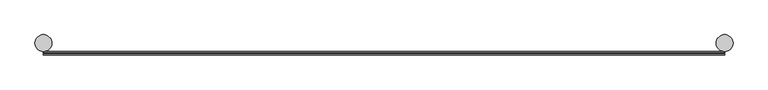
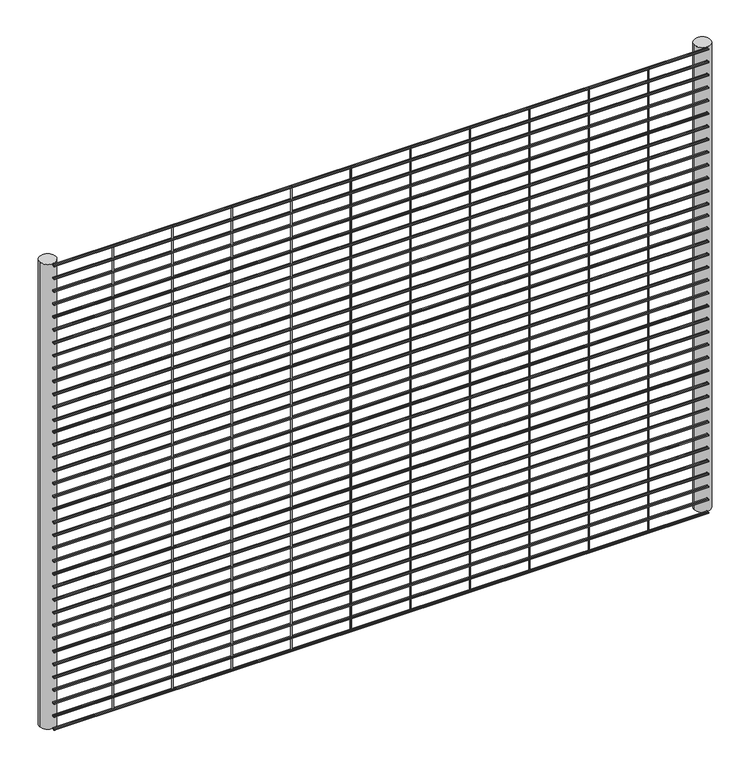
"""IFC4 building model written with IfcOpenShell, lengths in millimetres: railing geometry."""

import ifcopenshell
import ifcopenshell.guid

model = None  # the IFC model being written
_history = None  # IfcOwnerHistory: only IFC2X3 demands one
_inside = {}  # id of a spatial element -> (the spatial element, [elements in it])
_under = {}  # id of a project, library or spatial element -> (it, [spatial elements below it])
_declared = {}  # id of a project -> (the project, [libraries it declares])
_typed = {}  # id of a type object -> (the type object, [elements of that type])
_made_of = {}  # id of a material, layer set ... -> (it, [elements and type objects made of it])


def new_model(schema):
    """Start an empty IFC model of exactly this schema.

    Asked for "IFC4X3", IfcOpenShell would pick the latest addendum, in which some entities
    have other attributes; the version numbers below select the first issue.
    IFC2X3 requires an IfcOwnerHistory on every rooted entity: one is made here for all.
    """
    global model, _history
    if schema == "IFC4X3":
        model = ifcopenshell.file(schema_version=(4, 3, 0, 0))
    else:
        model = ifcopenshell.file(schema=schema)
    _inside.clear()
    _under.clear()
    _declared.clear()
    _typed.clear()
    _made_of.clear()
    _history = None
    if model.schema == "IFC2X3":
        org = make("IfcOrganization", Name="unknown")
        user = make(
            "IfcPersonAndOrganization",
            ThePerson=make("IfcPerson", FamilyName="unknown"),
            TheOrganization=org,
        )
        app = make(
            "IfcApplication",
            ApplicationDeveloper=org,
            Version="unknown",
            ApplicationFullName="unknown",
            ApplicationIdentifier="unknown",
        )
        _history = make(
            "IfcOwnerHistory",
            OwningUser=user,
            OwningApplication=app,
            ChangeAction="ADDED",
            CreationDate=0,
        )
    return model


def make(cls, **values):
    """One entity of the class cls with the attributes given. An attribute that is None is left unset."""
    return model.create_entity(
        cls, **{name: value for name, value in values.items() if value is not None}
    )


def rooted(cls, **values):
    """An entity with a GlobalId (a new one), such as an element, a storey or a relation."""
    return make(cls, GlobalId=ifcopenshell.guid.new(), OwnerHistory=_history, **values)


def si_unit(unit_type, name, prefix=None):
    """IfcSIUnit, for example si_unit("LENGTHUNIT", "METRE", prefix="MILLI")."""
    return make("IfcSIUnit", UnitType=unit_type, Prefix=prefix, Name=name)


def assignment(units):
    """IfcUnitAssignment: the units of a project."""
    return None if units is None else make("IfcUnitAssignment", Units=units)


def point(xyz):
    """IfcCartesianPoint."""
    return None if xyz is None else make("IfcCartesianPoint", Coordinates=xyz)


def direction(xyz):
    """IfcDirection."""
    return None if xyz is None else make("IfcDirection", DirectionRatios=xyz)


def frame(location, z_axis=None, x_axis=None):
    """IfcAxis2Placement3D, a coordinate frame: its origin and axes. An axis left out is left unset."""
    return make(
        "IfcAxis2Placement3D",
        Location=point(location),
        Axis=direction(z_axis),
        RefDirection=direction(x_axis),
    )


def frame_2d(location, x_axis=None):
    """IfcAxis2Placement2D, a coordinate frame in the plane: its origin and x axis."""
    return make(
        "IfcAxis2Placement2D", Location=point(location), RefDirection=direction(x_axis)
    )


def origin():
    """The frame at (0, 0, 0) with its axes left unset."""
    return frame((0.0, 0.0, 0.0))


def place(relative_to, where):
    """IfcLocalPlacement: puts the frame where relative to a parent placement (None: the world)."""
    return make(
        "IfcLocalPlacement", PlacementRelTo=relative_to, RelativePlacement=where
    )


def context(
    kind, dimensions, precision=None, world=None, true_north=None, identifier=None
):
    """IfcGeometricRepresentationContext, for example the 3D "Model" context."""
    return make(
        "IfcGeometricRepresentationContext",
        ContextIdentifier=identifier,
        ContextType=kind,
        CoordinateSpaceDimension=dimensions,
        Precision=precision,
        WorldCoordinateSystem=world,
        TrueNorth=true_north,
    )


def project(units=None, contexts=None):
    """IfcProject with its units and contexts."""
    return rooted(
        "IfcProject",
        Name="project",
        RepresentationContexts=contexts,
        UnitsInContext=assignment(units),
    )


def spatial(cls, under=None, at=None, **own):
    """A site, building, storey or space (cls), placed at a placement, below another one or the project."""
    s = rooted(cls, ObjectPlacement=at, **own)
    if under is not None:
        _under.setdefault(under.id(), (under, []))[1].append(s)
    return s


def circle_curve(where, radius):
    """IfcCircle in the frame where."""
    return make("IfcCircle", Position=where, Radius=radius)


def trimmed(basis, trim1, trim2, sense, master):
    """IfcTrimmedCurve: the piece of a basis curve between two trims."""
    return make(
        "IfcTrimmedCurve",
        BasisCurve=basis,
        Trim1=trim1,
        Trim2=trim2,
        SenseAgreement=sense,
        MasterRepresentation=master,
    )


def segment(curve, same_sense, transition):
    """IfcCompositeCurveSegment."""
    return make(
        "IfcCompositeCurveSegment",
        Transition=transition,
        SameSense=same_sense,
        ParentCurve=curve,
    )


def composite_curve(segments, self_intersect=None):
    """IfcCompositeCurve: segments joined end to end."""
    return make("IfcCompositeCurve", Segments=segments, SelfIntersect=self_intersect)


def outline(outer, holes=None, kind="AREA"):
    """IfcArbitraryClosedProfileDef: a profile drawn as a closed curve; with holes, ...WithVoids."""
    if holes is None:
        return make("IfcArbitraryClosedProfileDef", ProfileType=kind, OuterCurve=outer)
    return make(
        "IfcArbitraryProfileDefWithVoids",
        ProfileType=kind,
        OuterCurve=outer,
        InnerCurves=holes,
    )


def extrude(swept, where, along, depth):
    """IfcExtrudedAreaSolid: the profile swept, set in the frame where, extruded along a direction by depth."""
    return make(
        "IfcExtrudedAreaSolid",
        SweptArea=swept,
        Position=where,
        ExtrudedDirection=direction(along),
        Depth=depth,
    )


def shape(context_of_items, identifier, shape_type, items):
    """IfcShapeRepresentation: the items that make up one representation, for example the "Body"."""
    return make(
        "IfcShapeRepresentation",
        ContextOfItems=context_of_items,
        RepresentationIdentifier=identifier,
        RepresentationType=shape_type,
        Items=items,
    )


def source(mapping_origin, context_of_items, identifier, shape_type, items):
    """IfcRepresentationMap: a shape defined once, which mapped items show again and again."""
    return make(
        "IfcRepresentationMap",
        MappingOrigin=mapping_origin,
        MappedRepresentation=shape(context_of_items, identifier, shape_type, items),
    )


def transform(
    local_origin,
    x_axis=None,
    y_axis=None,
    z_axis=None,
    scale=None,
    scale2=None,
    scale3=None,
    uniform=True,
):
    """IfcCartesianTransformationOperator3D, or its non-uniform kind. x_axis, y_axis, z_axis: its Axis1, 2, 3."""
    if uniform:
        return make(
            "IfcCartesianTransformationOperator3D",
            Axis1=direction(x_axis),
            Axis2=direction(y_axis),
            LocalOrigin=point(local_origin),
            Scale=scale,
            Axis3=direction(z_axis),
        )
    return make(
        "IfcCartesianTransformationOperator3DnonUniform",
        Axis1=direction(x_axis),
        Axis2=direction(y_axis),
        LocalOrigin=point(local_origin),
        Scale=scale,
        Axis3=direction(z_axis),
        Scale2=scale2,
        Scale3=scale3,
    )


def mapped(mapping_source, mapping_target):
    """IfcMappedItem: shows the shape of a source again, moved by a transform."""
    return make(
        "IfcMappedItem", MappingSource=mapping_source, MappingTarget=mapping_target
    )


def made_of(thing, what):
    """Note that an element or type object is made of a material, layer set ...; save() writes the relation."""
    if what is not None:
        _made_of.setdefault(what.id(), (what, []))[1].append(thing)
    return thing


def element(
    cls,
    number,
    at=None,
    inside=None,
    cuts=None,
    type_object=None,
    material=None,
    context=None,
    identifier="Body",
    shape_type=None,
    held_by="IfcProductDefinitionShape",
    body=None,
    shapes=None,
    **own,
):
    """One element of the class cls, such as IfcWall. Its Tag is "e" and its number.

    at: its placement. inside: the storey or other place that contains it. cuts: it is an
    opening in that element (IfcRelVoidsElement). A single representation is given by context,
    identifier, shape_type and body (its items); several are given by shapes. held_by: the class
    of the entity that holds the representations. save() writes the other relations.
    """
    e = rooted(cls, Tag="e%d" % number, ObjectPlacement=at, **own)
    if body is not None:
        shapes = [shape(context, identifier, shape_type, body)]
    if shapes is not None:
        e.Representation = make(held_by, Representations=shapes)
    if inside is not None:
        _inside.setdefault(inside.id(), (inside, []))[1].append(e)
    if cuts is not None:
        rooted(
            "IfcRelVoidsElement", RelatingBuildingElement=cuts, RelatedOpeningElement=e
        )
    if type_object is not None:
        _typed.setdefault(type_object.id(), (type_object, []))[1].append(e)
    return made_of(e, material)


def aggregate(whole, parts):
    """IfcRelAggregates: a whole, such as a stair, and the parts it consists of."""
    return rooted("IfcRelAggregates", RelatingObject=whole, RelatedObjects=parts)


def save(model, path):
    """Write the relations noted so far, then the file.

    IfcRelAggregates (storeys below a building ...), IfcRelContainedInSpatialStructure (elements
    in a storey), IfcRelDefinesByType, IfcRelAssociatesMaterial and IfcRelDeclares: one each for
    every whole, place, type object, material and project.
    """
    for whole, parts in _under.values():
        aggregate(whole, parts)
    for where, things in _inside.values():
        rooted(
            "IfcRelContainedInSpatialStructure",
            RelatedElements=things,
            RelatingStructure=where,
        )
    for kind, things in _typed.values():
        rooted("IfcRelDefinesByType", RelatedObjects=things, RelatingType=kind)
    for what, things in _made_of.values():
        rooted("IfcRelAssociatesMaterial", RelatedObjects=things, RelatingMaterial=what)
    for by, libraries in _declared.values():
        rooted("IfcRelDeclares", RelatingContext=by, RelatedDefinitions=libraries)
    model.write(path)


def railing_4ddac414(model_context):
    return source(origin(), model_context, "Body", "SweptSolid", [
        extrude(outline(composite_curve([segment(trimmed(circle_curve(frame_2d((3531.195995, 9446.41875)), 2.0574), [point((3533.253395, 9446.41875))], [point((3529.138595, 9446.41875))], False, "CARTESIAN"), True, "CONTINUOUS"), segment(trimmed(circle_curve(frame_2d((3531.195995, 9446.41875)), 2.0574), [point((3529.138595, 9446.41875))], [point((3533.253395, 9446.41875))], False, "CARTESIAN"), True, "CONTINUOUS")], self_intersect=False)), frame((-5189.4581376, 0.0, 0.0), z_axis=(1.0, 0.0, 0.0), x_axis=(0.0, 1.0, 0.0)), (0.0, 0.0, 1.0), 2438.4),
        extrude(outline(composite_curve([segment(trimmed(circle_curve(frame_2d((3531.195995, 9395.61875)), 2.0574), [point((3533.253395, 9395.61875))], [point((3529.138595, 9395.61875))], False, "CARTESIAN"), True, "CONTINUOUS"), segment(trimmed(circle_curve(frame_2d((3531.195995, 9395.61875)), 2.0574), [point((3529.138595, 9395.61875))], [point((3533.253395, 9395.61875))], False, "CARTESIAN"), True, "CONTINUOUS")], self_intersect=False)), frame((-5189.4581376, 0.0, 0.0), z_axis=(1.0, 0.0, 0.0), x_axis=(0.0, 1.0, 0.0)), (0.0, 0.0, 1.0), 2438.4),
        extrude(outline(composite_curve([segment(trimmed(circle_curve(frame_2d((3531.195995, 9344.81875)), 2.0574), [point((3533.253395, 9344.81875))], [point((3529.138595, 9344.81875))], False, "CARTESIAN"), True, "CONTINUOUS"), segment(trimmed(circle_curve(frame_2d((3531.195995, 9344.81875)), 2.0574), [point((3529.138595, 9344.81875))], [point((3533.253395, 9344.81875))], False, "CARTESIAN"), True, "CONTINUOUS")], self_intersect=False)), frame((-5189.4581376, 0.0, 0.0), z_axis=(1.0, 0.0, 0.0), x_axis=(0.0, 1.0, 0.0)), (0.0, 0.0, 1.0), 2438.4),
        extrude(outline(composite_curve([segment(trimmed(circle_curve(frame_2d((3531.195995, 9294.01875)), 2.0574), [point((3533.253395, 9294.01875))], [point((3529.138595, 9294.01875))], False, "CARTESIAN"), True, "CONTINUOUS"), segment(trimmed(circle_curve(frame_2d((3531.195995, 9294.01875)), 2.0574), [point((3529.138595, 9294.01875))], [point((3533.253395, 9294.01875))], False, "CARTESIAN"), True, "CONTINUOUS")], self_intersect=False)), frame((-5189.4581376, 0.0, 0.0), z_axis=(1.0, 0.0, 0.0), x_axis=(0.0, 1.0, 0.0)), (0.0, 0.0, 1.0), 2438.4),
        extrude(outline(composite_curve([segment(trimmed(circle_curve(frame_2d((3531.195995, 9243.21875)), 2.0574), [point((3533.253395, 9243.21875))], [point((3529.138595, 9243.21875))], False, "CARTESIAN"), True, "CONTINUOUS"), segment(trimmed(circle_curve(frame_2d((3531.195995, 9243.21875)), 2.0574), [point((3529.138595, 9243.21875))], [point((3533.253395, 9243.21875))], False, "CARTESIAN"), True, "CONTINUOUS")], self_intersect=False)), frame((-5189.4581376, 0.0, 0.0), z_axis=(1.0, 0.0, 0.0), x_axis=(0.0, 1.0, 0.0)), (0.0, 0.0, 1.0), 2438.4),
        extrude(outline(composite_curve([segment(trimmed(circle_curve(frame_2d((3531.195995, 9192.41875)), 2.0574), [point((3533.253395, 9192.41875))], [point((3529.138595, 9192.41875))], False, "CARTESIAN"), True, "CONTINUOUS"), segment(trimmed(circle_curve(frame_2d((3531.195995, 9192.41875)), 2.0574), [point((3529.138595, 9192.41875))], [point((3533.253395, 9192.41875))], False, "CARTESIAN"), True, "CONTINUOUS")], self_intersect=False)), frame((-5189.4581376, 0.0, 0.0), z_axis=(1.0, 0.0, 0.0), x_axis=(0.0, 1.0, 0.0)), (0.0, 0.0, 1.0), 2438.4),
        extrude(outline(composite_curve([segment(trimmed(circle_curve(frame_2d((3531.195995, 9141.61875)), 2.0574), [point((3533.253395, 9141.61875))], [point((3529.138595, 9141.61875))], False, "CARTESIAN"), True, "CONTINUOUS"), segment(trimmed(circle_curve(frame_2d((3531.195995, 9141.61875)), 2.0574), [point((3529.138595, 9141.61875))], [point((3533.253395, 9141.61875))], False, "CARTESIAN"), True, "CONTINUOUS")], self_intersect=False)), frame((-5189.4581376, 0.0, 0.0), z_axis=(1.0, 0.0, 0.0), x_axis=(0.0, 1.0, 0.0)), (0.0, 0.0, 1.0), 2438.4),
        extrude(outline(composite_curve([segment(trimmed(circle_curve(frame_2d((3531.195995, 9090.81875)), 2.0574), [point((3533.253395, 9090.81875))], [point((3529.138595, 9090.81875))], False, "CARTESIAN"), True, "CONTINUOUS"), segment(trimmed(circle_curve(frame_2d((3531.195995, 9090.81875)), 2.0574), [point((3529.138595, 9090.81875))], [point((3533.253395, 9090.81875))], False, "CARTESIAN"), True, "CONTINUOUS")], self_intersect=False)), frame((-5189.4581376, 0.0, 0.0), z_axis=(1.0, 0.0, 0.0), x_axis=(0.0, 1.0, 0.0)), (0.0, 0.0, 1.0), 2438.4),
        extrude(outline(composite_curve([segment(trimmed(circle_curve(frame_2d((3531.195995, 9040.01875)), 2.0574), [point((3533.253395, 9040.01875))], [point((3529.138595, 9040.01875))], False, "CARTESIAN"), True, "CONTINUOUS"), segment(trimmed(circle_curve(frame_2d((3531.195995, 9040.01875)), 2.0574), [point((3529.138595, 9040.01875))], [point((3533.253395, 9040.01875))], False, "CARTESIAN"), True, "CONTINUOUS")], self_intersect=False)), frame((-5189.4581376, 0.0, 0.0), z_axis=(1.0, 0.0, 0.0), x_axis=(0.0, 1.0, 0.0)), (0.0, 0.0, 1.0), 2438.4),
        extrude(outline(composite_curve([segment(trimmed(circle_curve(frame_2d((3531.195995, 8989.21875)), 2.0574), [point((3533.253395, 8989.21875))], [point((3529.138595, 8989.21875))], False, "CARTESIAN"), True, "CONTINUOUS"), segment(trimmed(circle_curve(frame_2d((3531.195995, 8989.21875)), 2.0574), [point((3529.138595, 8989.21875))], [point((3533.253395, 8989.21875))], False, "CARTESIAN"), True, "CONTINUOUS")], self_intersect=False)), frame((-5189.4581376, 0.0, 0.0), z_axis=(1.0, 0.0, 0.0), x_axis=(0.0, 1.0, 0.0)), (0.0, 0.0, 1.0), 2438.4),
        extrude(outline(composite_curve([segment(trimmed(circle_curve(frame_2d((3531.195995, 8938.41875)), 2.0574), [point((3533.253395, 8938.41875))], [point((3529.138595, 8938.41875))], False, "CARTESIAN"), True, "CONTINUOUS"), segment(trimmed(circle_curve(frame_2d((3531.195995, 8938.41875)), 2.0574), [point((3529.138595, 8938.41875))], [point((3533.253395, 8938.41875))], False, "CARTESIAN"), True, "CONTINUOUS")], self_intersect=False)), frame((-5189.4581376, 0.0, 0.0), z_axis=(1.0, 0.0, 0.0), x_axis=(0.0, 1.0, 0.0)), (0.0, 0.0, 1.0), 2438.4),
        extrude(outline(composite_curve([segment(trimmed(circle_curve(frame_2d((3531.195995, 8887.61875)), 2.0574), [point((3533.253395, 8887.61875))], [point((3529.138595, 8887.61875))], False, "CARTESIAN"), True, "CONTINUOUS"), segment(trimmed(circle_curve(frame_2d((3531.195995, 8887.61875)), 2.0574), [point((3529.138595, 8887.61875))], [point((3533.253395, 8887.61875))], False, "CARTESIAN"), True, "CONTINUOUS")], self_intersect=False)), frame((-5189.4581376, 0.0, 0.0), z_axis=(1.0, 0.0, 0.0), x_axis=(0.0, 1.0, 0.0)), (0.0, 0.0, 1.0), 2438.4),
        extrude(outline(composite_curve([segment(trimmed(circle_curve(frame_2d((3531.195995, 8836.81875)), 2.0574), [point((3533.253395, 8836.81875))], [point((3529.138595, 8836.81875))], False, "CARTESIAN"), True, "CONTINUOUS"), segment(trimmed(circle_curve(frame_2d((3531.195995, 8836.81875)), 2.0574), [point((3529.138595, 8836.81875))], [point((3533.253395, 8836.81875))], False, "CARTESIAN"), True, "CONTINUOUS")], self_intersect=False)), frame((-5189.4581376, 0.0, 0.0), z_axis=(1.0, 0.0, 0.0), x_axis=(0.0, 1.0, 0.0)), (0.0, 0.0, 1.0), 2438.4),
        extrude(outline(composite_curve([segment(trimmed(circle_curve(frame_2d((3539.3319325, 9446.41875)), 2.0574), [point((3541.3893325, 9446.41875))], [point((3537.2745325, 9446.41875))], False, "CARTESIAN"), True, "CONTINUOUS"), segment(trimmed(circle_curve(frame_2d((3539.3319325, 9446.41875)), 2.0574), [point((3537.2745325, 9446.41875))], [point((3541.3893325, 9446.41875))], False, "CARTESIAN"), True, "CONTINUOUS")], self_intersect=False)), frame((-5189.4581376, 0.0, 0.0), z_axis=(1.0, 0.0, 0.0), x_axis=(0.0, 1.0, 0.0)), (0.0, 0.0, 1.0), 2438.4),
        extrude(outline(composite_curve([segment(trimmed(circle_curve(frame_2d((3539.3319325, 9395.61875)), 2.0574), [point((3541.3893325, 9395.61875))], [point((3537.2745325, 9395.61875))], False, "CARTESIAN"), True, "CONTINUOUS"), segment(trimmed(circle_curve(frame_2d((3539.3319325, 9395.61875)), 2.0574), [point((3537.2745325, 9395.61875))], [point((3541.3893325, 9395.61875))], False, "CARTESIAN"), True, "CONTINUOUS")], self_intersect=False)), frame((-5189.4581376, 0.0, 0.0), z_axis=(1.0, 0.0, 0.0), x_axis=(0.0, 1.0, 0.0)), (0.0, 0.0, 1.0), 2438.4),
        extrude(outline(composite_curve([segment(trimmed(circle_curve(frame_2d((3539.3319325, 9344.81875)), 2.0574), [point((3541.3893325, 9344.81875))], [point((3537.2745325, 9344.81875))], False, "CARTESIAN"), True, "CONTINUOUS"), segment(trimmed(circle_curve(frame_2d((3539.3319325, 9344.81875)), 2.0574), [point((3537.2745325, 9344.81875))], [point((3541.3893325, 9344.81875))], False, "CARTESIAN"), True, "CONTINUOUS")], self_intersect=False)), frame((-5189.4581376, 0.0, 0.0), z_axis=(1.0, 0.0, 0.0), x_axis=(0.0, 1.0, 0.0)), (0.0, 0.0, 1.0), 2438.4),
        extrude(outline(composite_curve([segment(trimmed(circle_curve(frame_2d((3539.3319325, 9294.01875)), 2.0574), [point((3541.3893325, 9294.01875))], [point((3537.2745325, 9294.01875))], False, "CARTESIAN"), True, "CONTINUOUS"), segment(trimmed(circle_curve(frame_2d((3539.3319325, 9294.01875)), 2.0574), [point((3537.2745325, 9294.01875))], [point((3541.3893325, 9294.01875))], False, "CARTESIAN"), True, "CONTINUOUS")], self_intersect=False)), frame((-5189.4581376, 0.0, 0.0), z_axis=(1.0, 0.0, 0.0), x_axis=(0.0, 1.0, 0.0)), (0.0, 0.0, 1.0), 2438.4),
        extrude(outline(composite_curve([segment(trimmed(circle_curve(frame_2d((3539.3319325, 9243.21875)), 2.0574), [point((3541.3893325, 9243.21875))], [point((3537.2745325, 9243.21875))], False, "CARTESIAN"), True, "CONTINUOUS"), segment(trimmed(circle_curve(frame_2d((3539.3319325, 9243.21875)), 2.0574), [point((3537.2745325, 9243.21875))], [point((3541.3893325, 9243.21875))], False, "CARTESIAN"), True, "CONTINUOUS")], self_intersect=False)), frame((-5189.4581376, 0.0, 0.0), z_axis=(1.0, 0.0, 0.0), x_axis=(0.0, 1.0, 0.0)), (0.0, 0.0, 1.0), 2438.4),
        extrude(outline(composite_curve([segment(trimmed(circle_curve(frame_2d((3539.3319325, 9192.41875)), 2.0574), [point((3541.3893325, 9192.41875))], [point((3537.2745325, 9192.41875))], False, "CARTESIAN"), True, "CONTINUOUS"), segment(trimmed(circle_curve(frame_2d((3539.3319325, 9192.41875)), 2.0574), [point((3537.2745325, 9192.41875))], [point((3541.3893325, 9192.41875))], False, "CARTESIAN"), True, "CONTINUOUS")], self_intersect=False)), frame((-5189.4581376, 0.0, 0.0), z_axis=(1.0, 0.0, 0.0), x_axis=(0.0, 1.0, 0.0)), (0.0, 0.0, 1.0), 2438.4),
        extrude(outline(composite_curve([segment(trimmed(circle_curve(frame_2d((3539.3319325, 9141.61875)), 2.0574), [point((3541.3893325, 9141.61875))], [point((3537.2745325, 9141.61875))], False, "CARTESIAN"), True, "CONTINUOUS"), segment(trimmed(circle_curve(frame_2d((3539.3319325, 9141.61875)), 2.0574), [point((3537.2745325, 9141.61875))], [point((3541.3893325, 9141.61875))], False, "CARTESIAN"), True, "CONTINUOUS")], self_intersect=False)), frame((-5189.4581376, 0.0, 0.0), z_axis=(1.0, 0.0, 0.0), x_axis=(0.0, 1.0, 0.0)), (0.0, 0.0, 1.0), 2438.4),
        extrude(outline(composite_curve([segment(trimmed(circle_curve(frame_2d((3539.3319325, 9090.81875)), 2.0574), [point((3541.3893325, 9090.81875))], [point((3537.2745325, 9090.81875))], False, "CARTESIAN"), True, "CONTINUOUS"), segment(trimmed(circle_curve(frame_2d((3539.3319325, 9090.81875)), 2.0574), [point((3537.2745325, 9090.81875))], [point((3541.3893325, 9090.81875))], False, "CARTESIAN"), True, "CONTINUOUS")], self_intersect=False)), frame((-5189.4581376, 0.0, 0.0), z_axis=(1.0, 0.0, 0.0), x_axis=(0.0, 1.0, 0.0)), (0.0, 0.0, 1.0), 2438.4),
        extrude(outline(composite_curve([segment(trimmed(circle_curve(frame_2d((3539.3319325, 9040.01875)), 2.0574), [point((3541.3893325, 9040.01875))], [point((3537.2745325, 9040.01875))], False, "CARTESIAN"), True, "CONTINUOUS"), segment(trimmed(circle_curve(frame_2d((3539.3319325, 9040.01875)), 2.0574), [point((3537.2745325, 9040.01875))], [point((3541.3893325, 9040.01875))], False, "CARTESIAN"), True, "CONTINUOUS")], self_intersect=False)), frame((-5189.4581376, 0.0, 0.0), z_axis=(1.0, 0.0, 0.0), x_axis=(0.0, 1.0, 0.0)), (0.0, 0.0, 1.0), 2438.4),
        extrude(outline(composite_curve([segment(trimmed(circle_curve(frame_2d((3539.3319325, 8989.21875)), 2.0574), [point((3541.3893325, 8989.21875))], [point((3537.2745325, 8989.21875))], False, "CARTESIAN"), True, "CONTINUOUS"), segment(trimmed(circle_curve(frame_2d((3539.3319325, 8989.21875)), 2.0574), [point((3537.2745325, 8989.21875))], [point((3541.3893325, 8989.21875))], False, "CARTESIAN"), True, "CONTINUOUS")], self_intersect=False)), frame((-5189.4581376, 0.0, 0.0), z_axis=(1.0, 0.0, 0.0), x_axis=(0.0, 1.0, 0.0)), (0.0, 0.0, 1.0), 2438.4),
        extrude(outline(composite_curve([segment(trimmed(circle_curve(frame_2d((3539.3319325, 8938.41875)), 2.0574), [point((3541.3893325, 8938.41875))], [point((3537.2745325, 8938.41875))], False, "CARTESIAN"), True, "CONTINUOUS"), segment(trimmed(circle_curve(frame_2d((3539.3319325, 8938.41875)), 2.0574), [point((3537.2745325, 8938.41875))], [point((3541.3893325, 8938.41875))], False, "CARTESIAN"), True, "CONTINUOUS")], self_intersect=False)), frame((-5189.4581376, 0.0, 0.0), z_axis=(1.0, 0.0, 0.0), x_axis=(0.0, 1.0, 0.0)), (0.0, 0.0, 1.0), 2438.4),
        extrude(outline(composite_curve([segment(trimmed(circle_curve(frame_2d((3539.3319325, 8887.61875)), 2.0574), [point((3541.3893325, 8887.61875))], [point((3537.2745325, 8887.61875))], False, "CARTESIAN"), True, "CONTINUOUS"), segment(trimmed(circle_curve(frame_2d((3539.3319325, 8887.61875)), 2.0574), [point((3537.2745325, 8887.61875))], [point((3541.3893325, 8887.61875))], False, "CARTESIAN"), True, "CONTINUOUS")], self_intersect=False)), frame((-5189.4581376, 0.0, 0.0), z_axis=(1.0, 0.0, 0.0), x_axis=(0.0, 1.0, 0.0)), (0.0, 0.0, 1.0), 2438.4),
        extrude(outline(composite_curve([segment(trimmed(circle_curve(frame_2d((3539.3319325, 8836.81875)), 2.0574), [point((3541.3893325, 8836.81875))], [point((3537.2745325, 8836.81875))], False, "CARTESIAN"), True, "CONTINUOUS"), segment(trimmed(circle_curve(frame_2d((3539.3319325, 8836.81875)), 2.0574), [point((3537.2745325, 8836.81875))], [point((3541.3893325, 8836.81875))], False, "CARTESIAN"), True, "CONTINUOUS")], self_intersect=False)), frame((-5189.4581376, 0.0, 0.0), z_axis=(1.0, 0.0, 0.0), x_axis=(0.0, 1.0, 0.0)), (0.0, 0.0, 1.0), 2438.4),
        extrude(outline(composite_curve([segment(trimmed(circle_curve(frame_2d((3531.195995, 8790.4835937)), 2.0574), [point((3533.253395, 8790.4835937))], [point((3529.138595, 8790.4835937))], False, "CARTESIAN"), True, "CONTINUOUS"), segment(trimmed(circle_curve(frame_2d((3531.195995, 8790.4835937)), 2.0574), [point((3529.138595, 8790.4835937))], [point((3533.253395, 8790.4835937))], False, "CARTESIAN"), True, "CONTINUOUS")], self_intersect=False)), frame((-5189.4581376, 0.0, 0.0), z_axis=(1.0, 0.0, 0.0), x_axis=(0.0, 1.0, 0.0)), (0.0, 0.0, 1.0), 2438.4),
        extrude(outline(composite_curve([segment(trimmed(circle_curve(frame_2d((3539.3319325, 8790.4835937)), 2.0574), [point((3541.3893325, 8790.4835937))], [point((3537.2745325, 8790.4835937))], False, "CARTESIAN"), True, "CONTINUOUS"), segment(trimmed(circle_curve(frame_2d((3539.3319325, 8790.4835937)), 2.0574), [point((3537.2745325, 8790.4835937))], [point((3541.3893325, 8790.4835937))], False, "CARTESIAN"), True, "CONTINUOUS")], self_intersect=False)), frame((-5189.4581376, 0.0, 0.0), z_axis=(1.0, 0.0, 0.0), x_axis=(0.0, 1.0, 0.0)), (0.0, 0.0, 1.0), 2438.4),
        extrude(outline(composite_curve([segment(trimmed(circle_curve(frame_2d((3531.195995, 8739.6835937)), 2.0574), [point((3533.253395, 8739.6835937))], [point((3529.138595, 8739.6835937))], False, "CARTESIAN"), True, "CONTINUOUS"), segment(trimmed(circle_curve(frame_2d((3531.195995, 8739.6835937)), 2.0574), [point((3529.138595, 8739.6835937))], [point((3533.253395, 8739.6835937))], False, "CARTESIAN"), True, "CONTINUOUS")], self_intersect=False)), frame((-5189.4581376, 0.0, 0.0), z_axis=(1.0, 0.0, 0.0), x_axis=(0.0, 1.0, 0.0)), (0.0, 0.0, 1.0), 2438.4),
        extrude(outline(composite_curve([segment(trimmed(circle_curve(frame_2d((3539.3319325, 8739.6835937)), 2.0574), [point((3541.3893325, 8739.6835937))], [point((3537.2745325, 8739.6835937))], False, "CARTESIAN"), True, "CONTINUOUS"), segment(trimmed(circle_curve(frame_2d((3539.3319325, 8739.6835937)), 2.0574), [point((3537.2745325, 8739.6835937))], [point((3541.3893325, 8739.6835937))], False, "CARTESIAN"), True, "CONTINUOUS")], self_intersect=False)), frame((-5189.4581376, 0.0, 0.0), z_axis=(1.0, 0.0, 0.0), x_axis=(0.0, 1.0, 0.0)), (0.0, 0.0, 1.0), 2438.4),
        extrude(outline(composite_curve([segment(trimmed(circle_curve(frame_2d((3531.195995, 8688.8835937)), 2.0574), [point((3533.253395, 8688.8835937))], [point((3529.138595, 8688.8835937))], False, "CARTESIAN"), True, "CONTINUOUS"), segment(trimmed(circle_curve(frame_2d((3531.195995, 8688.8835937)), 2.0574), [point((3529.138595, 8688.8835937))], [point((3533.253395, 8688.8835937))], False, "CARTESIAN"), True, "CONTINUOUS")], self_intersect=False)), frame((-5189.4581376, 0.0, 0.0), z_axis=(1.0, 0.0, 0.0), x_axis=(0.0, 1.0, 0.0)), (0.0, 0.0, 1.0), 2438.4),
        extrude(outline(composite_curve([segment(trimmed(circle_curve(frame_2d((3539.3319325, 8688.8835937)), 2.0574), [point((3541.3893325, 8688.8835937))], [point((3537.2745325, 8688.8835937))], False, "CARTESIAN"), True, "CONTINUOUS"), segment(trimmed(circle_curve(frame_2d((3539.3319325, 8688.8835937)), 2.0574), [point((3537.2745325, 8688.8835937))], [point((3541.3893325, 8688.8835937))], False, "CARTESIAN"), True, "CONTINUOUS")], self_intersect=False)), frame((-5189.4581376, 0.0, 0.0), z_axis=(1.0, 0.0, 0.0), x_axis=(0.0, 1.0, 0.0)), (0.0, 0.0, 1.0), 2438.4),
        extrude(outline(composite_curve([segment(trimmed(circle_curve(frame_2d((3531.195995, 8638.0835937)), 2.0574), [point((3533.253395, 8638.0835937))], [point((3529.138595, 8638.0835937))], False, "CARTESIAN"), True, "CONTINUOUS"), segment(trimmed(circle_curve(frame_2d((3531.195995, 8638.0835937)), 2.0574), [point((3529.138595, 8638.0835937))], [point((3533.253395, 8638.0835937))], False, "CARTESIAN"), True, "CONTINUOUS")], self_intersect=False)), frame((-5189.4581376, 0.0, 0.0), z_axis=(1.0, 0.0, 0.0), x_axis=(0.0, 1.0, 0.0)), (0.0, 0.0, 1.0), 2438.4),
        extrude(outline(composite_curve([segment(trimmed(circle_curve(frame_2d((3539.3319325, 8638.0835937)), 2.0574), [point((3541.3893325, 8638.0835937))], [point((3537.2745325, 8638.0835937))], False, "CARTESIAN"), True, "CONTINUOUS"), segment(trimmed(circle_curve(frame_2d((3539.3319325, 8638.0835937)), 2.0574), [point((3537.2745325, 8638.0835937))], [point((3541.3893325, 8638.0835937))], False, "CARTESIAN"), True, "CONTINUOUS")], self_intersect=False)), frame((-5189.4581376, 0.0, 0.0), z_axis=(1.0, 0.0, 0.0), x_axis=(0.0, 1.0, 0.0)), (0.0, 0.0, 1.0), 2438.4),
        extrude(outline(composite_curve([segment(trimmed(circle_curve(frame_2d((3531.195995, 8587.2835937)), 2.0574), [point((3533.253395, 8587.2835937))], [point((3529.138595, 8587.2835937))], False, "CARTESIAN"), True, "CONTINUOUS"), segment(trimmed(circle_curve(frame_2d((3531.195995, 8587.2835937)), 2.0574), [point((3529.138595, 8587.2835937))], [point((3533.253395, 8587.2835937))], False, "CARTESIAN"), True, "CONTINUOUS")], self_intersect=False)), frame((-5189.4581376, 0.0, 0.0), z_axis=(1.0, 0.0, 0.0), x_axis=(0.0, 1.0, 0.0)), (0.0, 0.0, 1.0), 2438.4),
        extrude(outline(composite_curve([segment(trimmed(circle_curve(frame_2d((3539.3319325, 8587.2835937)), 2.0574), [point((3541.3893325, 8587.2835937))], [point((3537.2745325, 8587.2835937))], False, "CARTESIAN"), True, "CONTINUOUS"), segment(trimmed(circle_curve(frame_2d((3539.3319325, 8587.2835937)), 2.0574), [point((3537.2745325, 8587.2835937))], [point((3541.3893325, 8587.2835937))], False, "CARTESIAN"), True, "CONTINUOUS")], self_intersect=False)), frame((-5189.4581376, 0.0, 0.0), z_axis=(1.0, 0.0, 0.0), x_axis=(0.0, 1.0, 0.0)), (0.0, 0.0, 1.0), 2438.4),
        extrude(outline(composite_curve([segment(trimmed(circle_curve(frame_2d((3531.195995, 8536.4835937)), 2.0574), [point((3533.253395, 8536.4835937))], [point((3529.138595, 8536.4835937))], False, "CARTESIAN"), True, "CONTINUOUS"), segment(trimmed(circle_curve(frame_2d((3531.195995, 8536.4835937)), 2.0574), [point((3529.138595, 8536.4835937))], [point((3533.253395, 8536.4835937))], False, "CARTESIAN"), True, "CONTINUOUS")], self_intersect=False)), frame((-5189.4581376, 0.0, 0.0), z_axis=(1.0, 0.0, 0.0), x_axis=(0.0, 1.0, 0.0)), (0.0, 0.0, 1.0), 2438.4),
        extrude(outline(composite_curve([segment(trimmed(circle_curve(frame_2d((3539.3319325, 8536.4835937)), 2.0574), [point((3541.3893325, 8536.4835937))], [point((3537.2745325, 8536.4835937))], False, "CARTESIAN"), True, "CONTINUOUS"), segment(trimmed(circle_curve(frame_2d((3539.3319325, 8536.4835937)), 2.0574), [point((3537.2745325, 8536.4835937))], [point((3541.3893325, 8536.4835937))], False, "CARTESIAN"), True, "CONTINUOUS")], self_intersect=False)), frame((-5189.4581376, 0.0, 0.0), z_axis=(1.0, 0.0, 0.0), x_axis=(0.0, 1.0, 0.0)), (0.0, 0.0, 1.0), 2438.4),
        extrude(outline(composite_curve([segment(trimmed(circle_curve(frame_2d((3531.195995, 8485.6835937)), 2.0574), [point((3533.253395, 8485.6835937))], [point((3529.138595, 8485.6835937))], False, "CARTESIAN"), True, "CONTINUOUS"), segment(trimmed(circle_curve(frame_2d((3531.195995, 8485.6835937)), 2.0574), [point((3529.138595, 8485.6835937))], [point((3533.253395, 8485.6835937))], False, "CARTESIAN"), True, "CONTINUOUS")], self_intersect=False)), frame((-5189.4581376, 0.0, 0.0), z_axis=(1.0, 0.0, 0.0), x_axis=(0.0, 1.0, 0.0)), (0.0, 0.0, 1.0), 2438.4),
        extrude(outline(composite_curve([segment(trimmed(circle_curve(frame_2d((3539.3319325, 8485.6835937)), 2.0574), [point((3541.3893325, 8485.6835937))], [point((3537.2745325, 8485.6835937))], False, "CARTESIAN"), True, "CONTINUOUS"), segment(trimmed(circle_curve(frame_2d((3539.3319325, 8485.6835937)), 2.0574), [point((3537.2745325, 8485.6835937))], [point((3541.3893325, 8485.6835937))], False, "CARTESIAN"), True, "CONTINUOUS")], self_intersect=False)), frame((-5189.4581376, 0.0, 0.0), z_axis=(1.0, 0.0, 0.0), x_axis=(0.0, 1.0, 0.0)), (0.0, 0.0, 1.0), 2438.4),
        extrude(outline(composite_curve([segment(trimmed(circle_curve(frame_2d((3531.195995, 8434.8835937)), 2.0574), [point((3533.253395, 8434.8835937))], [point((3529.138595, 8434.8835937))], False, "CARTESIAN"), True, "CONTINUOUS"), segment(trimmed(circle_curve(frame_2d((3531.195995, 8434.8835937)), 2.0574), [point((3529.138595, 8434.8835937))], [point((3533.253395, 8434.8835937))], False, "CARTESIAN"), True, "CONTINUOUS")], self_intersect=False)), frame((-5189.4581376, 0.0, 0.0), z_axis=(1.0, 0.0, 0.0), x_axis=(0.0, 1.0, 0.0)), (0.0, 0.0, 1.0), 2438.4),
        extrude(outline(composite_curve([segment(trimmed(circle_curve(frame_2d((3539.3319325, 8434.8835937)), 2.0574), [point((3541.3893325, 8434.8835937))], [point((3537.2745325, 8434.8835937))], False, "CARTESIAN"), True, "CONTINUOUS"), segment(trimmed(circle_curve(frame_2d((3539.3319325, 8434.8835937)), 2.0574), [point((3537.2745325, 8434.8835937))], [point((3541.3893325, 8434.8835937))], False, "CARTESIAN"), True, "CONTINUOUS")], self_intersect=False)), frame((-5189.4581376, 0.0, 0.0), z_axis=(1.0, 0.0, 0.0), x_axis=(0.0, 1.0, 0.0)), (0.0, 0.0, 1.0), 2438.4),
        extrude(outline(composite_curve([segment(trimmed(circle_curve(frame_2d((3531.195995, 8384.0835937)), 2.0574), [point((3533.253395, 8384.0835937))], [point((3529.138595, 8384.0835937))], False, "CARTESIAN"), True, "CONTINUOUS"), segment(trimmed(circle_curve(frame_2d((3531.195995, 8384.0835937)), 2.0574), [point((3529.138595, 8384.0835937))], [point((3533.253395, 8384.0835937))], False, "CARTESIAN"), True, "CONTINUOUS")], self_intersect=False)), frame((-5189.4581376, 0.0, 0.0), z_axis=(1.0, 0.0, 0.0), x_axis=(0.0, 1.0, 0.0)), (0.0, 0.0, 1.0), 2438.4),
        extrude(outline(composite_curve([segment(trimmed(circle_curve(frame_2d((3539.3319325, 8384.0835937)), 2.0574), [point((3541.3893325, 8384.0835937))], [point((3537.2745325, 8384.0835937))], False, "CARTESIAN"), True, "CONTINUOUS"), segment(trimmed(circle_curve(frame_2d((3539.3319325, 8384.0835937)), 2.0574), [point((3537.2745325, 8384.0835937))], [point((3541.3893325, 8384.0835937))], False, "CARTESIAN"), True, "CONTINUOUS")], self_intersect=False)), frame((-5189.4581376, 0.0, 0.0), z_axis=(1.0, 0.0, 0.0), x_axis=(0.0, 1.0, 0.0)), (0.0, 0.0, 1.0), 2438.4),
        extrude(outline(composite_curve([segment(trimmed(circle_curve(frame_2d((3531.195995, 8333.2835937)), 2.0574), [point((3533.253395, 8333.2835937))], [point((3529.138595, 8333.2835937))], False, "CARTESIAN"), True, "CONTINUOUS"), segment(trimmed(circle_curve(frame_2d((3531.195995, 8333.2835937)), 2.0574), [point((3529.138595, 8333.2835937))], [point((3533.253395, 8333.2835937))], False, "CARTESIAN"), True, "CONTINUOUS")], self_intersect=False)), frame((-5189.4581376, 0.0, 0.0), z_axis=(1.0, 0.0, 0.0), x_axis=(0.0, 1.0, 0.0)), (0.0, 0.0, 1.0), 2438.4),
        extrude(outline(composite_curve([segment(trimmed(circle_curve(frame_2d((3539.3319325, 8333.2835937)), 2.0574), [point((3541.3893325, 8333.2835937))], [point((3537.2745325, 8333.2835937))], False, "CARTESIAN"), True, "CONTINUOUS"), segment(trimmed(circle_curve(frame_2d((3539.3319325, 8333.2835937)), 2.0574), [point((3537.2745325, 8333.2835937))], [point((3541.3893325, 8333.2835937))], False, "CARTESIAN"), True, "CONTINUOUS")], self_intersect=False)), frame((-5189.4581376, 0.0, 0.0), z_axis=(1.0, 0.0, 0.0), x_axis=(0.0, 1.0, 0.0)), (0.0, 0.0, 1.0), 2438.4),
        extrude(outline(composite_curve([segment(trimmed(circle_curve(frame_2d((3531.195995, 8282.4835937)), 2.0574), [point((3533.253395, 8282.4835937))], [point((3529.138595, 8282.4835937))], False, "CARTESIAN"), True, "CONTINUOUS"), segment(trimmed(circle_curve(frame_2d((3531.195995, 8282.4835937)), 2.0574), [point((3529.138595, 8282.4835937))], [point((3533.253395, 8282.4835937))], False, "CARTESIAN"), True, "CONTINUOUS")], self_intersect=False)), frame((-5189.4581376, 0.0, 0.0), z_axis=(1.0, 0.0, 0.0), x_axis=(0.0, 1.0, 0.0)), (0.0, 0.0, 1.0), 2438.4),
        extrude(outline(composite_curve([segment(trimmed(circle_curve(frame_2d((3539.3319325, 8282.4835937)), 2.0574), [point((3541.3893325, 8282.4835937))], [point((3537.2745325, 8282.4835937))], False, "CARTESIAN"), True, "CONTINUOUS"), segment(trimmed(circle_curve(frame_2d((3539.3319325, 8282.4835937)), 2.0574), [point((3537.2745325, 8282.4835937))], [point((3541.3893325, 8282.4835937))], False, "CARTESIAN"), True, "CONTINUOUS")], self_intersect=False)), frame((-5189.4581376, 0.0, 0.0), z_axis=(1.0, 0.0, 0.0), x_axis=(0.0, 1.0, 0.0)), (0.0, 0.0, 1.0), 2438.4),
        extrude(outline(composite_curve([segment(trimmed(circle_curve(frame_2d((3531.195995, 8231.6835937)), 2.0574), [point((3533.253395, 8231.6835937))], [point((3529.138595, 8231.6835937))], False, "CARTESIAN"), True, "CONTINUOUS"), segment(trimmed(circle_curve(frame_2d((3531.195995, 8231.6835937)), 2.0574), [point((3529.138595, 8231.6835937))], [point((3533.253395, 8231.6835937))], False, "CARTESIAN"), True, "CONTINUOUS")], self_intersect=False)), frame((-5189.4581376, 0.0, 0.0), z_axis=(1.0, 0.0, 0.0), x_axis=(0.0, 1.0, 0.0)), (0.0, 0.0, 1.0), 2438.4),
        extrude(outline(composite_curve([segment(trimmed(circle_curve(frame_2d((3539.3319325, 8231.6835937)), 2.0574), [point((3541.3893325, 8231.6835937))], [point((3537.2745325, 8231.6835937))], False, "CARTESIAN"), True, "CONTINUOUS"), segment(trimmed(circle_curve(frame_2d((3539.3319325, 8231.6835937)), 2.0574), [point((3537.2745325, 8231.6835937))], [point((3541.3893325, 8231.6835937))], False, "CARTESIAN"), True, "CONTINUOUS")], self_intersect=False)), frame((-5189.4581376, 0.0, 0.0), z_axis=(1.0, 0.0, 0.0), x_axis=(0.0, 1.0, 0.0)), (0.0, 0.0, 1.0), 2438.4),
        extrude(outline(composite_curve([segment(trimmed(circle_curve(frame_2d((3531.195995, 8180.8835937)), 2.0574), [point((3533.253395, 8180.8835937))], [point((3529.138595, 8180.8835937))], False, "CARTESIAN"), True, "CONTINUOUS"), segment(trimmed(circle_curve(frame_2d((3531.195995, 8180.8835937)), 2.0574), [point((3529.138595, 8180.8835937))], [point((3533.253395, 8180.8835937))], False, "CARTESIAN"), True, "CONTINUOUS")], self_intersect=False)), frame((-5189.4581376, 0.0, 0.0), z_axis=(1.0, 0.0, 0.0), x_axis=(0.0, 1.0, 0.0)), (0.0, 0.0, 1.0), 2438.4),
        extrude(outline(composite_curve([segment(trimmed(circle_curve(frame_2d((3539.3319325, 8180.8835937)), 2.0574), [point((3541.3893325, 8180.8835937))], [point((3537.2745325, 8180.8835937))], False, "CARTESIAN"), True, "CONTINUOUS"), segment(trimmed(circle_curve(frame_2d((3539.3319325, 8180.8835937)), 2.0574), [point((3537.2745325, 8180.8835937))], [point((3541.3893325, 8180.8835937))], False, "CARTESIAN"), True, "CONTINUOUS")], self_intersect=False)), frame((-5189.4581376, 0.0, 0.0), z_axis=(1.0, 0.0, 0.0), x_axis=(0.0, 1.0, 0.0)), (0.0, 0.0, 1.0), 2438.4),
        extrude(outline(composite_curve([segment(trimmed(circle_curve(frame_2d((3531.195995, 8130.0835937)), 2.0574), [point((3533.253395, 8130.0835937))], [point((3529.138595, 8130.0835937))], False, "CARTESIAN"), True, "CONTINUOUS"), segment(trimmed(circle_curve(frame_2d((3531.195995, 8130.0835937)), 2.0574), [point((3529.138595, 8130.0835937))], [point((3533.253395, 8130.0835937))], False, "CARTESIAN"), True, "CONTINUOUS")], self_intersect=False)), frame((-5189.4581376, 0.0, 0.0), z_axis=(1.0, 0.0, 0.0), x_axis=(0.0, 1.0, 0.0)), (0.0, 0.0, 1.0), 2438.4),
        extrude(outline(composite_curve([segment(trimmed(circle_curve(frame_2d((3539.3319325, 8130.0835937)), 2.0574), [point((3541.3893325, 8130.0835937))], [point((3537.2745325, 8130.0835937))], False, "CARTESIAN"), True, "CONTINUOUS"), segment(trimmed(circle_curve(frame_2d((3539.3319325, 8130.0835937)), 2.0574), [point((3537.2745325, 8130.0835937))], [point((3541.3893325, 8130.0835937))], False, "CARTESIAN"), True, "CONTINUOUS")], self_intersect=False)), frame((-5189.4581376, 0.0, 0.0), z_axis=(1.0, 0.0, 0.0), x_axis=(0.0, 1.0, 0.0)), (0.0, 0.0, 1.0), 2438.4),
        extrude(outline(composite_curve([segment(trimmed(circle_curve(frame_2d((3531.195995, 8079.2835937)), 2.0574), [point((3533.253395, 8079.2835937))], [point((3529.138595, 8079.2835937))], False, "CARTESIAN"), True, "CONTINUOUS"), segment(trimmed(circle_curve(frame_2d((3531.195995, 8079.2835937)), 2.0574), [point((3529.138595, 8079.2835937))], [point((3533.253395, 8079.2835937))], False, "CARTESIAN"), True, "CONTINUOUS")], self_intersect=False)), frame((-5189.4581376, 0.0, 0.0), z_axis=(1.0, 0.0, 0.0), x_axis=(0.0, 1.0, 0.0)), (0.0, 0.0, 1.0), 2438.4),
        extrude(outline(composite_curve([segment(trimmed(circle_curve(frame_2d((3539.3319325, 8079.2835937)), 2.0574), [point((3541.3893325, 8079.2835937))], [point((3537.2745325, 8079.2835937))], False, "CARTESIAN"), True, "CONTINUOUS"), segment(trimmed(circle_curve(frame_2d((3539.3319325, 8079.2835937)), 2.0574), [point((3537.2745325, 8079.2835937))], [point((3541.3893325, 8079.2835937))], False, "CARTESIAN"), True, "CONTINUOUS")], self_intersect=False)), frame((-5189.4581376, 0.0, 0.0), z_axis=(1.0, 0.0, 0.0), x_axis=(0.0, 1.0, 0.0)), (0.0, 0.0, 1.0), 2438.4),
        extrude(outline(composite_curve([segment(trimmed(circle_curve(frame_2d((3531.195995, 8028.4835937)), 2.0574), [point((3533.253395, 8028.4835937))], [point((3529.138595, 8028.4835937))], False, "CARTESIAN"), True, "CONTINUOUS"), segment(trimmed(circle_curve(frame_2d((3531.195995, 8028.4835937)), 2.0574), [point((3529.138595, 8028.4835937))], [point((3533.253395, 8028.4835937))], False, "CARTESIAN"), True, "CONTINUOUS")], self_intersect=False)), frame((-5189.4581376, 0.0, 0.0), z_axis=(1.0, 0.0, 0.0), x_axis=(0.0, 1.0, 0.0)), (0.0, 0.0, 1.0), 2438.4),
        extrude(outline(composite_curve([segment(trimmed(circle_curve(frame_2d((3539.3319325, 8028.4835937)), 2.0574), [point((3541.3893325, 8028.4835937))], [point((3537.2745325, 8028.4835937))], False, "CARTESIAN"), True, "CONTINUOUS"), segment(trimmed(circle_curve(frame_2d((3539.3319325, 8028.4835937)), 2.0574), [point((3537.2745325, 8028.4835937))], [point((3541.3893325, 8028.4835937))], False, "CARTESIAN"), True, "CONTINUOUS")], self_intersect=False)), frame((-5189.4581376, 0.0, 0.0), z_axis=(1.0, 0.0, 0.0), x_axis=(0.0, 1.0, 0.0)), (0.0, 0.0, 1.0), 2438.4),
        extrude(outline(composite_curve([segment(trimmed(circle_curve(frame_2d((3531.195995, 7977.6835937)), 2.0574), [point((3533.253395, 7977.6835937))], [point((3529.138595, 7977.6835937))], False, "CARTESIAN"), True, "CONTINUOUS"), segment(trimmed(circle_curve(frame_2d((3531.195995, 7977.6835937)), 2.0574), [point((3529.138595, 7977.6835937))], [point((3533.253395, 7977.6835937))], False, "CARTESIAN"), True, "CONTINUOUS")], self_intersect=False)), frame((-5189.4581376, 0.0, 0.0), z_axis=(1.0, 0.0, 0.0), x_axis=(0.0, 1.0, 0.0)), (0.0, 0.0, 1.0), 2438.4),
        extrude(outline(composite_curve([segment(trimmed(circle_curve(frame_2d((3539.3319325, 7977.6835937)), 2.0574), [point((3541.3893325, 7977.6835937))], [point((3537.2745325, 7977.6835937))], False, "CARTESIAN"), True, "CONTINUOUS"), segment(trimmed(circle_curve(frame_2d((3539.3319325, 7977.6835937)), 2.0574), [point((3537.2745325, 7977.6835937))], [point((3541.3893325, 7977.6835937))], False, "CARTESIAN"), True, "CONTINUOUS")], self_intersect=False)), frame((-5189.4581376, 0.0, 0.0), z_axis=(1.0, 0.0, 0.0), x_axis=(0.0, 1.0, 0.0)), (0.0, 0.0, 1.0), 2438.4),
        extrude(outline(composite_curve([segment(trimmed(circle_curve(frame_2d((3531.195995, 7926.8835937)), 2.0574), [point((3533.253395, 7926.8835937))], [point((3529.138595, 7926.8835937))], False, "CARTESIAN"), True, "CONTINUOUS"), segment(trimmed(circle_curve(frame_2d((3531.195995, 7926.8835937)), 2.0574), [point((3529.138595, 7926.8835937))], [point((3533.253395, 7926.8835937))], False, "CARTESIAN"), True, "CONTINUOUS")], self_intersect=False)), frame((-5189.4581376, 0.0, 0.0), z_axis=(1.0, 0.0, 0.0), x_axis=(0.0, 1.0, 0.0)), (0.0, 0.0, 1.0), 2438.4),
        extrude(outline(composite_curve([segment(trimmed(circle_curve(frame_2d((3539.3319325, 7926.8835937)), 2.0574), [point((3541.3893325, 7926.8835937))], [point((3537.2745325, 7926.8835937))], False, "CARTESIAN"), True, "CONTINUOUS"), segment(trimmed(circle_curve(frame_2d((3539.3319325, 7926.8835937)), 2.0574), [point((3537.2745325, 7926.8835937))], [point((3541.3893325, 7926.8835937))], False, "CARTESIAN"), True, "CONTINUOUS")], self_intersect=False)), frame((-5189.4581376, 0.0, 0.0), z_axis=(1.0, 0.0, 0.0), x_axis=(0.0, 1.0, 0.0)), (0.0, 0.0, 1.0), 2438.4),
        extrude(outline(composite_curve([segment(trimmed(circle_curve(frame_2d((3531.195995, 7876.0835937)), 2.0574), [point((3533.253395, 7876.0835937))], [point((3529.138595, 7876.0835937))], False, "CARTESIAN"), True, "CONTINUOUS"), segment(trimmed(circle_curve(frame_2d((3531.195995, 7876.0835937)), 2.0574), [point((3529.138595, 7876.0835937))], [point((3533.253395, 7876.0835937))], False, "CARTESIAN"), True, "CONTINUOUS")], self_intersect=False)), frame((-5189.4581376, 0.0, 0.0), z_axis=(1.0, 0.0, 0.0), x_axis=(0.0, 1.0, 0.0)), (0.0, 0.0, 1.0), 2438.4),
        extrude(outline(composite_curve([segment(trimmed(circle_curve(frame_2d((3539.3319325, 7876.0835937)), 2.0574), [point((3541.3893325, 7876.0835937))], [point((3537.2745325, 7876.0835937))], False, "CARTESIAN"), True, "CONTINUOUS"), segment(trimmed(circle_curve(frame_2d((3539.3319325, 7876.0835937)), 2.0574), [point((3537.2745325, 7876.0835937))], [point((3541.3893325, 7876.0835937))], False, "CARTESIAN"), True, "CONTINUOUS")], self_intersect=False)), frame((-5189.4581376, 0.0, 0.0), z_axis=(1.0, 0.0, 0.0), x_axis=(0.0, 1.0, 0.0)), (0.0, 0.0, 1.0), 2438.4),
        extrude(outline(composite_curve([segment(trimmed(circle_curve(frame_2d((3531.195995, 7825.2835937)), 2.0574), [point((3533.253395, 7825.2835937))], [point((3529.138595, 7825.2835937))], False, "CARTESIAN"), True, "CONTINUOUS"), segment(trimmed(circle_curve(frame_2d((3531.195995, 7825.2835937)), 2.0574), [point((3529.138595, 7825.2835937))], [point((3533.253395, 7825.2835937))], False, "CARTESIAN"), True, "CONTINUOUS")], self_intersect=False)), frame((-5189.4581376, 0.0, 0.0), z_axis=(1.0, 0.0, 0.0), x_axis=(0.0, 1.0, 0.0)), (0.0, 0.0, 1.0), 2438.4),
        extrude(outline(composite_curve([segment(trimmed(circle_curve(frame_2d((3539.3319325, 7825.2835937)), 2.0574), [point((3541.3893325, 7825.2835937))], [point((3537.2745325, 7825.2835937))], False, "CARTESIAN"), True, "CONTINUOUS"), segment(trimmed(circle_curve(frame_2d((3539.3319325, 7825.2835937)), 2.0574), [point((3537.2745325, 7825.2835937))], [point((3541.3893325, 7825.2835937))], False, "CARTESIAN"), True, "CONTINUOUS")], self_intersect=False)), frame((-5189.4581376, 0.0, 0.0), z_axis=(1.0, 0.0, 0.0), x_axis=(0.0, 1.0, 0.0)), (0.0, 0.0, 1.0), 2438.4),
        extrude(outline(composite_curve([segment(trimmed(circle_curve(frame_2d((3531.195995, 7774.4835937)), 2.0574), [point((3533.253395, 7774.4835937))], [point((3529.138595, 7774.4835937))], False, "CARTESIAN"), True, "CONTINUOUS"), segment(trimmed(circle_curve(frame_2d((3531.195995, 7774.4835937)), 2.0574), [point((3529.138595, 7774.4835937))], [point((3533.253395, 7774.4835937))], False, "CARTESIAN"), True, "CONTINUOUS")], self_intersect=False)), frame((-5189.4581376, 0.0, 0.0), z_axis=(1.0, 0.0, 0.0), x_axis=(0.0, 1.0, 0.0)), (0.0, 0.0, 1.0), 2438.4),
        extrude(outline(composite_curve([segment(trimmed(circle_curve(frame_2d((3539.3319325, 7774.4835937)), 2.0574), [point((3541.3893325, 7774.4835937))], [point((3537.2745325, 7774.4835937))], False, "CARTESIAN"), True, "CONTINUOUS"), segment(trimmed(circle_curve(frame_2d((3539.3319325, 7774.4835937)), 2.0574), [point((3537.2745325, 7774.4835937))], [point((3541.3893325, 7774.4835937))], False, "CARTESIAN"), True, "CONTINUOUS")], self_intersect=False)), frame((-5189.4581376, 0.0, 0.0), z_axis=(1.0, 0.0, 0.0), x_axis=(0.0, 1.0, 0.0)), (0.0, 0.0, 1.0), 2438.4),
        extrude(outline(composite_curve([segment(trimmed(circle_curve(frame_2d((3531.195995, 7723.6835937)), 2.0574), [point((3533.253395, 7723.6835937))], [point((3529.138595, 7723.6835937))], False, "CARTESIAN"), True, "CONTINUOUS"), segment(trimmed(circle_curve(frame_2d((3531.195995, 7723.6835937)), 2.0574), [point((3529.138595, 7723.6835937))], [point((3533.253395, 7723.6835937))], False, "CARTESIAN"), True, "CONTINUOUS")], self_intersect=False)), frame((-5189.4581376, 0.0, 0.0), z_axis=(1.0, 0.0, 0.0), x_axis=(0.0, 1.0, 0.0)), (0.0, 0.0, 1.0), 2438.4),
        extrude(outline(composite_curve([segment(trimmed(circle_curve(frame_2d((3539.3319325, 7723.6835937)), 2.0574), [point((3541.3893325, 7723.6835937))], [point((3537.2745325, 7723.6835937))], False, "CARTESIAN"), True, "CONTINUOUS"), segment(trimmed(circle_curve(frame_2d((3539.3319325, 7723.6835937)), 2.0574), [point((3537.2745325, 7723.6835937))], [point((3541.3893325, 7723.6835937))], False, "CARTESIAN"), True, "CONTINUOUS")], self_intersect=False)), frame((-5189.4581376, 0.0, 0.0), z_axis=(1.0, 0.0, 0.0), x_axis=(0.0, 1.0, 0.0)), (0.0, 0.0, 1.0), 2438.4),
        extrude(outline(composite_curve([segment(trimmed(circle_curve(frame_2d((3531.195995, 7672.8835937)), 2.0574), [point((3533.253395, 7672.8835937))], [point((3529.138595, 7672.8835937))], False, "CARTESIAN"), True, "CONTINUOUS"), segment(trimmed(circle_curve(frame_2d((3531.195995, 7672.8835937)), 2.0574), [point((3529.138595, 7672.8835937))], [point((3533.253395, 7672.8835937))], False, "CARTESIAN"), True, "CONTINUOUS")], self_intersect=False)), frame((-5189.4581376, 0.0, 0.0), z_axis=(1.0, 0.0, 0.0), x_axis=(0.0, 1.0, 0.0)), (0.0, 0.0, 1.0), 2438.4),
        extrude(outline(composite_curve([segment(trimmed(circle_curve(frame_2d((3539.3319325, 7672.8835937)), 2.0574), [point((3541.3893325, 7672.8835937))], [point((3537.2745325, 7672.8835937))], False, "CARTESIAN"), True, "CONTINUOUS"), segment(trimmed(circle_curve(frame_2d((3539.3319325, 7672.8835937)), 2.0574), [point((3537.2745325, 7672.8835937))], [point((3541.3893325, 7672.8835937))], False, "CARTESIAN"), True, "CONTINUOUS")], self_intersect=False)), frame((-5189.4581376, 0.0, 0.0), z_axis=(1.0, 0.0, 0.0), x_axis=(0.0, 1.0, 0.0)), (0.0, 0.0, 1.0), 2438.4),
        extrude(outline(composite_curve([segment(trimmed(circle_curve(frame_2d((3531.195995, 7622.0835937)), 2.0574), [point((3533.253395, 7622.0835937))], [point((3529.138595, 7622.0835937))], False, "CARTESIAN"), True, "CONTINUOUS"), segment(trimmed(circle_curve(frame_2d((3531.195995, 7622.0835937)), 2.0574), [point((3529.138595, 7622.0835937))], [point((3533.253395, 7622.0835937))], False, "CARTESIAN"), True, "CONTINUOUS")], self_intersect=False)), frame((-5189.4581376, 0.0, 0.0), z_axis=(1.0, 0.0, 0.0), x_axis=(0.0, 1.0, 0.0)), (0.0, 0.0, 1.0), 2438.4),
        extrude(outline(composite_curve([segment(trimmed(circle_curve(frame_2d((3539.3319325, 7622.0835937)), 2.0574), [point((3541.3893325, 7622.0835937))], [point((3537.2745325, 7622.0835937))], False, "CARTESIAN"), True, "CONTINUOUS"), segment(trimmed(circle_curve(frame_2d((3539.3319325, 7622.0835937)), 2.0574), [point((3537.2745325, 7622.0835937))], [point((3541.3893325, 7622.0835937))], False, "CARTESIAN"), True, "CONTINUOUS")], self_intersect=False)), frame((-5189.4581376, 0.0, 0.0), z_axis=(1.0, 0.0, 0.0), x_axis=(0.0, 1.0, 0.0)), (0.0, 0.0, 1.0), 2438.4),
        extrude(outline(composite_curve([segment(trimmed(circle_curve(frame_2d((-2972.7308649, 3535.2639637)), 2.0574), [point((-2970.6734649, 3535.2639637))], [point((-2974.7882649, 3535.2639637))], False, "CARTESIAN"), True, "CONTINUOUS"), segment(trimmed(circle_curve(frame_2d((-2972.7308649, 3535.2639637)), 2.0574), [point((-2974.7882649, 3535.2639637))], [point((-2970.6734649, 3535.2639637))], False, "CARTESIAN"), True, "CONTINUOUS")], self_intersect=False)), frame((0.0, 0.0, 7620.0), z_axis=(0.0, 0.0, 1.0), x_axis=(1.0, 0.0, 0.0)), (0.0, 0.0, 1.0), 1828.8),
        extrude(outline(composite_curve([segment(trimmed(circle_curve(frame_2d((-3194.4035922, 3535.2639637)), 2.0574), [point((-3192.3461922, 3535.2639637))], [point((-3196.4609922, 3535.2639637))], False, "CARTESIAN"), True, "CONTINUOUS"), segment(trimmed(circle_curve(frame_2d((-3194.4035922, 3535.2639637)), 2.0574), [point((-3196.4609922, 3535.2639637))], [point((-3192.3461922, 3535.2639637))], False, "CARTESIAN"), True, "CONTINUOUS")], self_intersect=False)), frame((0.0, 0.0, 7620.0), z_axis=(0.0, 0.0, 1.0), x_axis=(1.0, 0.0, 0.0)), (0.0, 0.0, 1.0), 1828.8),
        extrude(outline(composite_curve([segment(trimmed(circle_curve(frame_2d((-3416.0763194, 3535.2639637)), 2.0574), [point((-3414.0189194, 3535.2639637))], [point((-3418.1337194, 3535.2639637))], False, "CARTESIAN"), True, "CONTINUOUS"), segment(trimmed(circle_curve(frame_2d((-3416.0763194, 3535.2639637)), 2.0574), [point((-3418.1337194, 3535.2639637))], [point((-3414.0189194, 3535.2639637))], False, "CARTESIAN"), True, "CONTINUOUS")], self_intersect=False)), frame((0.0, 0.0, 7620.0), z_axis=(0.0, 0.0, 1.0), x_axis=(1.0, 0.0, 0.0)), (0.0, 0.0, 1.0), 1828.8),
        extrude(outline(composite_curve([segment(trimmed(circle_curve(frame_2d((-3637.7490467, 3535.2639637)), 2.0574), [point((-3635.6916467, 3535.2639637))], [point((-3639.8064467, 3535.2639637))], False, "CARTESIAN"), True, "CONTINUOUS"), segment(trimmed(circle_curve(frame_2d((-3637.7490467, 3535.2639637)), 2.0574), [point((-3639.8064467, 3535.2639637))], [point((-3635.6916467, 3535.2639637))], False, "CARTESIAN"), True, "CONTINUOUS")], self_intersect=False)), frame((0.0, 0.0, 7620.0), z_axis=(0.0, 0.0, 1.0), x_axis=(1.0, 0.0, 0.0)), (0.0, 0.0, 1.0), 1828.8),
        extrude(outline(composite_curve([segment(trimmed(circle_curve(frame_2d((-3859.421774, 3535.2639637)), 2.0574), [point((-3857.364374, 3535.2639637))], [point((-3861.479174, 3535.2639637))], False, "CARTESIAN"), True, "CONTINUOUS"), segment(trimmed(circle_curve(frame_2d((-3859.421774, 3535.2639637)), 2.0574), [point((-3861.479174, 3535.2639637))], [point((-3857.364374, 3535.2639637))], False, "CARTESIAN"), True, "CONTINUOUS")], self_intersect=False)), frame((0.0, 0.0, 7620.0), z_axis=(0.0, 0.0, 1.0), x_axis=(1.0, 0.0, 0.0)), (0.0, 0.0, 1.0), 1828.8),
        extrude(outline(composite_curve([segment(trimmed(circle_curve(frame_2d((-4081.0945012, 3535.2639637)), 2.0574), [point((-4079.0371012, 3535.2639637))], [point((-4083.1519012, 3535.2639637))], False, "CARTESIAN"), True, "CONTINUOUS"), segment(trimmed(circle_curve(frame_2d((-4081.0945012, 3535.2639637)), 2.0574), [point((-4083.1519012, 3535.2639637))], [point((-4079.0371012, 3535.2639637))], False, "CARTESIAN"), True, "CONTINUOUS")], self_intersect=False)), frame((0.0, 0.0, 7620.0), z_axis=(0.0, 0.0, 1.0), x_axis=(1.0, 0.0, 0.0)), (0.0, 0.0, 1.0), 1828.8),
        extrude(outline(composite_curve([segment(trimmed(circle_curve(frame_2d((-4302.7672285, 3535.2639637)), 2.0574), [point((-4300.7098285, 3535.2639637))], [point((-4304.8246285, 3535.2639637))], False, "CARTESIAN"), True, "CONTINUOUS"), segment(trimmed(circle_curve(frame_2d((-4302.7672285, 3535.2639637)), 2.0574), [point((-4304.8246285, 3535.2639637))], [point((-4300.7098285, 3535.2639637))], False, "CARTESIAN"), True, "CONTINUOUS")], self_intersect=False)), frame((0.0, 0.0, 7620.0), z_axis=(0.0, 0.0, 1.0), x_axis=(1.0, 0.0, 0.0)), (0.0, 0.0, 1.0), 1828.8),
        extrude(outline(composite_curve([segment(trimmed(circle_curve(frame_2d((-4524.4399558, 3535.2639637)), 2.0574), [point((-4522.3825558, 3535.2639637))], [point((-4526.4973558, 3535.2639637))], False, "CARTESIAN"), True, "CONTINUOUS"), segment(trimmed(circle_curve(frame_2d((-4524.4399558, 3535.2639637)), 2.0574), [point((-4526.4973558, 3535.2639637))], [point((-4522.3825558, 3535.2639637))], False, "CARTESIAN"), True, "CONTINUOUS")], self_intersect=False)), frame((0.0, 0.0, 7620.0), z_axis=(0.0, 0.0, 1.0), x_axis=(1.0, 0.0, 0.0)), (0.0, 0.0, 1.0), 1828.8),
        extrude(outline(composite_curve([segment(trimmed(circle_curve(frame_2d((-4746.1126831, 3535.2639637)), 2.0574), [point((-4744.0552831, 3535.2639637))], [point((-4748.1700831, 3535.2639637))], False, "CARTESIAN"), True, "CONTINUOUS"), segment(trimmed(circle_curve(frame_2d((-4746.1126831, 3535.2639637)), 2.0574), [point((-4748.1700831, 3535.2639637))], [point((-4744.0552831, 3535.2639637))], False, "CARTESIAN"), True, "CONTINUOUS")], self_intersect=False)), frame((0.0, 0.0, 7620.0), z_axis=(0.0, 0.0, 1.0), x_axis=(1.0, 0.0, 0.0)), (0.0, 0.0, 1.0), 1828.8),
        extrude(outline(composite_curve([segment(trimmed(circle_curve(frame_2d((-4967.7854103, 3535.2639637)), 2.0574), [point((-4965.7280103, 3535.2639637))], [point((-4969.8428103, 3535.2639637))], False, "CARTESIAN"), True, "CONTINUOUS"), segment(trimmed(circle_curve(frame_2d((-4967.7854103, 3535.2639637)), 2.0574), [point((-4969.8428103, 3535.2639637))], [point((-4965.7280103, 3535.2639637))], False, "CARTESIAN"), True, "CONTINUOUS")], self_intersect=False)), frame((0.0, 0.0, 7620.0), z_axis=(0.0, 0.0, 1.0), x_axis=(1.0, 0.0, 0.0)), (0.0, 0.0, 1.0), 1828.8),
        extrude(outline(composite_curve([segment(trimmed(circle_curve(frame_2d((-2751.0581376, 3571.7764637)), 30.1625), [point((-2781.2206376, 3571.7764637))], [point((-2720.8956376, 3571.7764637))], False, "CARTESIAN"), True, "CONTINUOUS"), segment(trimmed(circle_curve(frame_2d((-2751.0581376, 3571.7764637)), 30.1625), [point((-2720.8956376, 3571.7764637))], [point((-2781.2206376, 3571.7764637))], False, "CARTESIAN"), True, "CONTINUOUS")], self_intersect=False)), frame((0.0, 0.0, 7620.0), z_axis=(0.0, 0.0, 1.0), x_axis=(1.0, 0.0, 0.0)), (0.0, 0.0, 1.0), 1828.8),
        extrude(outline(composite_curve([segment(trimmed(circle_curve(frame_2d((-5189.4581376, 3571.7764637)), 30.1625), [point((-5219.6206376, 3571.7764637))], [point((-5159.2956376, 3571.7764637))], False, "CARTESIAN"), True, "CONTINUOUS"), segment(trimmed(circle_curve(frame_2d((-5189.4581376, 3571.7764637)), 30.1625), [point((-5159.2956376, 3571.7764637))], [point((-5219.6206376, 3571.7764637))], False, "CARTESIAN"), True, "CONTINUOUS")], self_intersect=False)), frame((0.0, 0.0, 7620.0), z_axis=(0.0, 0.0, 1.0), x_axis=(1.0, 0.0, 0.0)), (0.0, 0.0, 1.0), 1828.8),
    ])


if __name__ == "__main__":
    model = new_model("IFC4")
    model_context = context("Model", 3, world=origin())
    ifc_project = project(units=[si_unit("LENGTHUNIT", "METRE", prefix="MILLI")], contexts=[model_context])
    site = spatial("IfcSite", under=ifc_project)
    building = spatial("IfcBuilding", under=site)
    placement = place(None, origin())
    railing_shape = railing_4ddac414(model_context)
    element("IfcRailing", 1, at=placement, inside=building, context=model_context, shape_type="MappedRepresentation", body=[
        mapped(railing_shape, transform((0.0, 0.0, 0.0), x_axis=(1.0, 0.0, 0.0), y_axis=(0.0, 1.0, 0.0), z_axis=(0.0, 0.0, 1.0))),
    ])
    save(model, "model.ifc")
